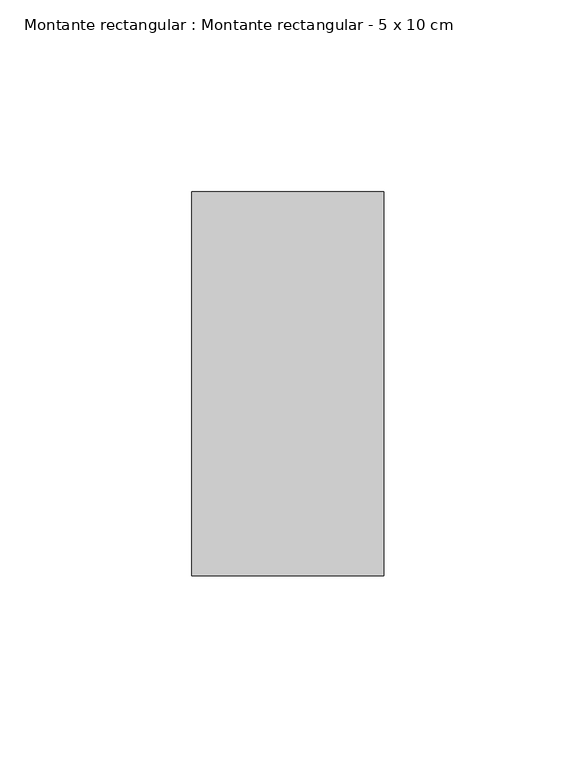
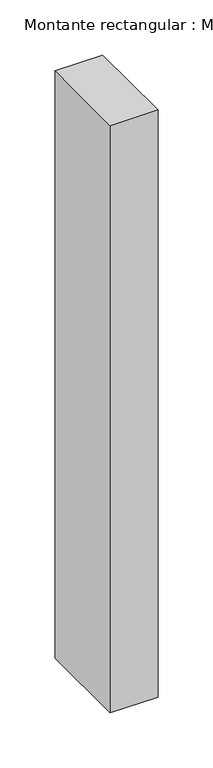
"""IFC4 building model written with IfcOpenShell, lengths in millimetres: member geometry, Montante rectangular : Montante rectangular - 5 x 10 cm."""

from ifc_helpers import new_model, si_unit, frame, origin, place, context, project, spatial, polyline, outline, extrude, source, transform, mapped, element, save


def montante_rectangular_montante_rectangular_5_x_10_cm_a55493a4(model_context):
    return source(origin(), model_context, "Body", "SweptSolid", [
        extrude(outline(polyline([(0.0, 50.0), (0.0, -50.0), (-50.0, -50.0), (-50.0, 50.0), (0.0, 50.0)])), frame((0.0, 0.0, -650.0), z_axis=(0.0, 0.0, 1.0), x_axis=(1.0, 0.0, 0.0)), (0.0, 0.0, 1.0), 650.0),
    ])


if __name__ == "__main__":
    model = new_model("IFC4")
    model_context = context("Model", 3, world=origin())
    ifc_project = project(units=[si_unit("LENGTHUNIT", "METRE", prefix="MILLI")], contexts=[model_context])
    site = spatial("IfcSite", under=ifc_project)
    building = spatial("IfcBuilding", under=site)
    placement = place(None, origin())
    montante_rectangular_montante_rectangular_5_x_10_cm_shape = montante_rectangular_montante_rectangular_5_x_10_cm_a55493a4(model_context)
    element("IfcMember", 1, ObjectType="Montante rectangular : Montante rectangular - 5 x 10 cm", at=placement, inside=building, context=model_context, shape_type="MappedRepresentation", body=[
        mapped(montante_rectangular_montante_rectangular_5_x_10_cm_shape, transform((0.0, 0.0, 0.0), x_axis=(1.0, 0.0, 0.0), y_axis=(0.0, 1.0, 0.0), z_axis=(0.0, 0.0, 1.0))),
    ])
    save(model, "model.ifc")
